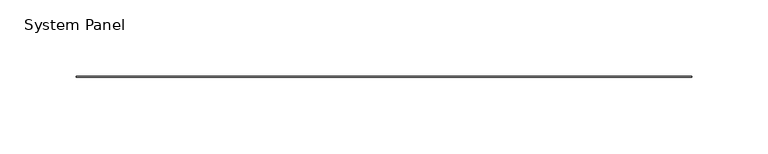
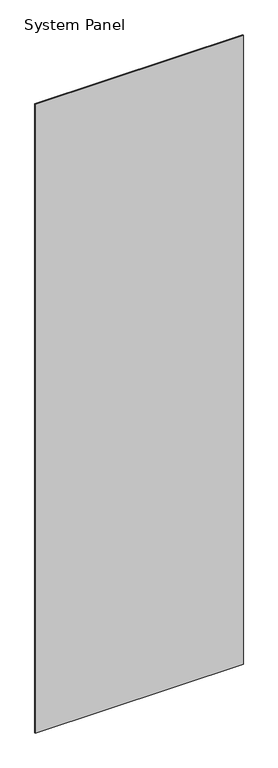
"""IFC4 building model written with IfcOpenShell, lengths in millimetres: plate geometry, System Panel."""

from ifc_helpers import new_model, si_unit, origin, origin_with_axes, place, context, project, spatial, polyline, outline, extrude, source, transform, mapped, element, save


def system_panel_5321cd0d(model_context):
    return source(origin(), model_context, "Body", "SweptSolid", [
        extrude(outline(polyline([(201.5490002, -0.2480469), (-201.5490002, -0.2480469), (-201.5490002, 0.2480469), (201.5490002, 0.2480469), (201.5490002, -0.2480469)])), origin_with_axes(), (0.0, 0.0, 1.0), 1285.875),
    ])


if __name__ == "__main__":
    model = new_model("IFC4")
    model_context = context("Model", 3, world=origin())
    ifc_project = project(units=[si_unit("LENGTHUNIT", "METRE", prefix="MILLI")], contexts=[model_context])
    site = spatial("IfcSite", under=ifc_project)
    building = spatial("IfcBuilding", under=site)
    placement = place(None, origin())
    system_panel_shape = system_panel_5321cd0d(model_context)
    element("IfcPlate", 1, ObjectType="System Panel", at=placement, inside=building, context=model_context, shape_type="MappedRepresentation", body=[
        mapped(system_panel_shape, transform((0.0, 0.0, 0.0), x_axis=(1.0, 0.0, 0.0), y_axis=(0.0, 1.0, 0.0), z_axis=(0.0, 0.0, 1.0))),
    ])
    save(model, "model.ifc")
